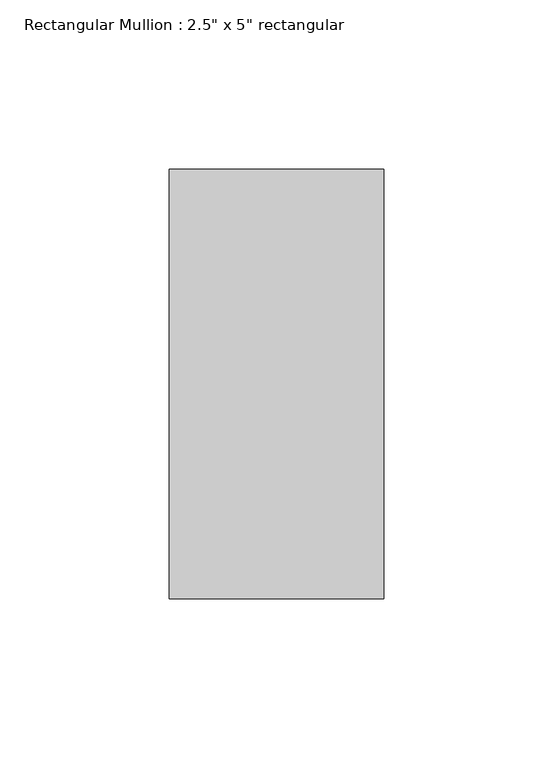
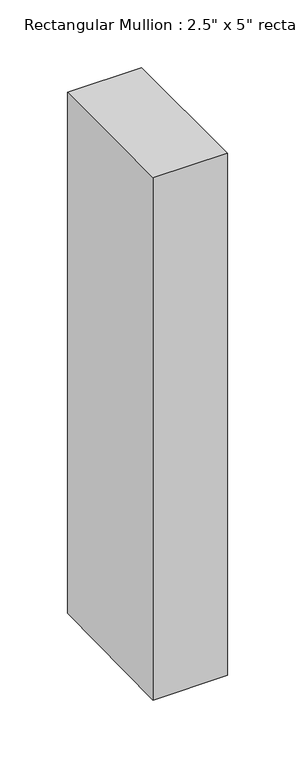
"""IFC4 building model written with IfcOpenShell, lengths in millimetres: member geometry."""

from ifc_helpers import new_model, si_unit, origin, place, context, project, spatial, faceted_brep, source, transform, mapped, element, save


def member_a2df2f89(model_context):
    return source(origin(), model_context, "Body", "Brep", [
        faceted_brep([(-63.5, 63.5, 0.2173788), (0.0, 63.5, 0.0), (0.0, 63.5, -469.8586968), (-63.5, 63.5, -470.2825293), (-63.5, -63.5, 0.2173788), (-63.5, -63.5, -471.7902603), (0.0, -63.5, 0.0), (0.0, -63.5, -471.3664278)], [[[0, 1, 2, 3]], [[4, 0, 3, 5]], [[6, 4, 5, 7]], [[1, 6, 7, 2]], [[1, 0, 4, 6]], [[2, 7, 5, 3]]]),
    ])


if __name__ == "__main__":
    model = new_model("IFC4")
    model_context = context("Model", 3, world=origin())
    ifc_project = project(units=[si_unit("LENGTHUNIT", "METRE", prefix="MILLI")], contexts=[model_context])
    site = spatial("IfcSite", under=ifc_project)
    building = spatial("IfcBuilding", under=site)
    placement = place(None, origin())
    member_shape = member_a2df2f89(model_context)
    element("IfcMember", 1, ObjectType="Rectangular Mullion : 2.5\" x 5\" rectangular", at=placement, inside=building, context=model_context, shape_type="MappedRepresentation", body=[
        mapped(member_shape, transform((0.0, 0.0, 0.0), x_axis=(1.0, 0.0, 0.0), y_axis=(0.0, 1.0, 0.0), z_axis=(0.0, 0.0, 1.0))),
    ])
    save(model, "model.ifc")
